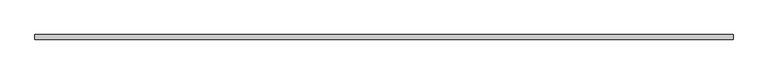
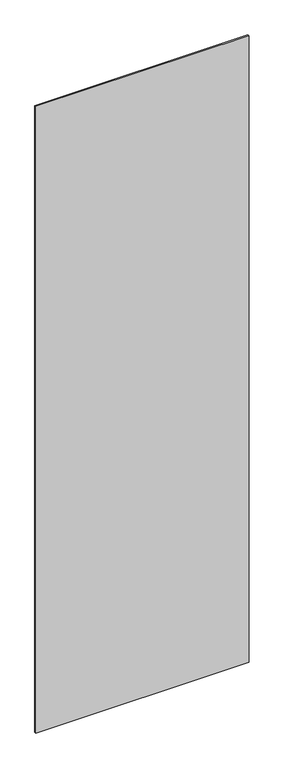
"""IFC4 building model written with IfcOpenShell, lengths in millimetres: plate geometry."""

from ifc_helpers import new_model, si_unit, origin, origin_with_axes, place, context, project, spatial, polyline, outline, extrude, source, transform, mapped, element, save


def plate_2b88b301(model_context):
    return source(origin(), model_context, "Body", "SweptSolid", [
        extrude(outline(polyline([(701.9791183, -5.0), (-701.9791183, -5.0), (-701.9791183, 5.0), (701.9791183, 5.0), (701.9791183, -5.0)])), origin_with_axes(), (0.0, 0.0, 1.0), 4360.0),
    ])


if __name__ == "__main__":
    model = new_model("IFC4")
    model_context = context("Model", 3, world=origin())
    ifc_project = project(units=[si_unit("LENGTHUNIT", "METRE", prefix="MILLI")], contexts=[model_context])
    site = spatial("IfcSite", under=ifc_project)
    building = spatial("IfcBuilding", under=site)
    placement = place(None, origin())
    plate_shape = plate_2b88b301(model_context)
    element("IfcPlate", 1, at=placement, inside=building, context=model_context, shape_type="MappedRepresentation", body=[
        mapped(plate_shape, transform((0.0, 0.0, 0.0), x_axis=(1.0, 0.0, 0.0), y_axis=(0.0, 1.0, 0.0), z_axis=(0.0, 0.0, 1.0))),
    ])
    save(model, "model.ifc")
